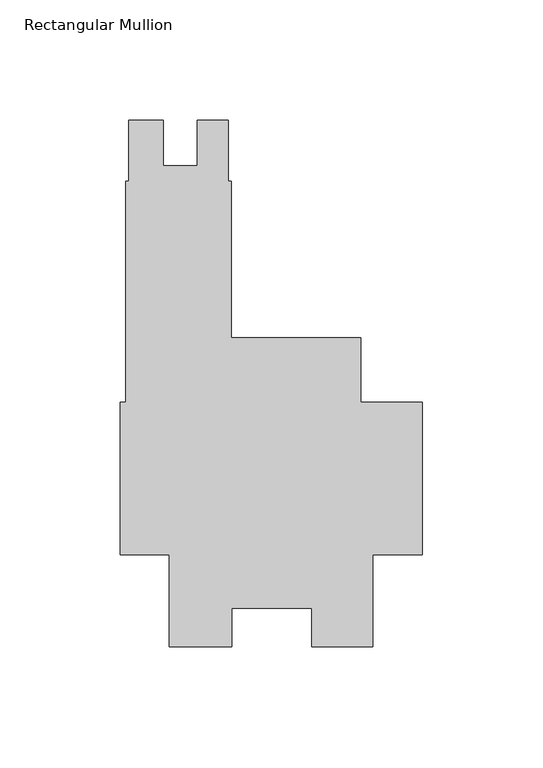
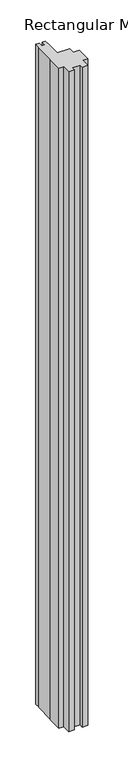
"""IFC4 building model written with IfcOpenShell, lengths in millimetres: member geometry, Rectangular Mullion."""

from ifc_helpers import new_model, si_unit, frame, origin, place, context, project, spatial, polyline, outline, extrude, source, transform, mapped, element, save


def rectangular_mullion_9d1c2512(model_context):
    return source(origin(), model_context, "Body", "SweptSolid", [
        extrude(outline(polyline([(-122.1422337, 123.825), (-122.1422337, 149.225), (-107.88015, 149.225), (-107.88015, 130.1877009), (-93.59265, 130.1877009), (-93.59265, 149.225), (-80.87995, 149.225), (-80.87995, 123.825), (-79.60995, 123.825), (-79.60995, 58.7248), (-25.577927, 58.7248), (-25.577927, 31.75), (0.0, 31.75), (0.0, -31.75), (-20.6735973, -31.75), (-20.6735973, -69.85), (-46.0042659, -69.85), (-46.0042659, -53.9601034), (-79.3959182, -53.9601034), (-79.3959182, -69.8732034), (-105.2447888, -69.8732034), (-105.2447888, -31.75), (-125.7808, -31.75), (-125.7808, 31.75), (-123.39955, 31.75), (-123.39955, 123.825), (-122.1422337, 123.825)])), frame((0.0, 0.0, -3048.0), z_axis=(0.0, 0.0, 1.0), x_axis=(1.0, 0.0, 0.0)), (0.0, 0.0, 1.0), 3048.0),
    ])


if __name__ == "__main__":
    model = new_model("IFC4")
    model_context = context("Model", 3, world=origin())
    ifc_project = project(units=[si_unit("LENGTHUNIT", "METRE", prefix="MILLI")], contexts=[model_context])
    site = spatial("IfcSite", under=ifc_project)
    building = spatial("IfcBuilding", under=site)
    placement = place(None, origin())
    rectangular_mullion_shape = rectangular_mullion_9d1c2512(model_context)
    element("IfcMember", 1, ObjectType="Rectangular Mullion", at=placement, inside=building, context=model_context, shape_type="MappedRepresentation", body=[
        mapped(rectangular_mullion_shape, transform((0.0, 0.0, 0.0), x_axis=(1.0, 0.0, 0.0), y_axis=(0.0, 1.0, 0.0), z_axis=(0.0, 0.0, 1.0))),
    ])
    save(model, "model.ifc")
